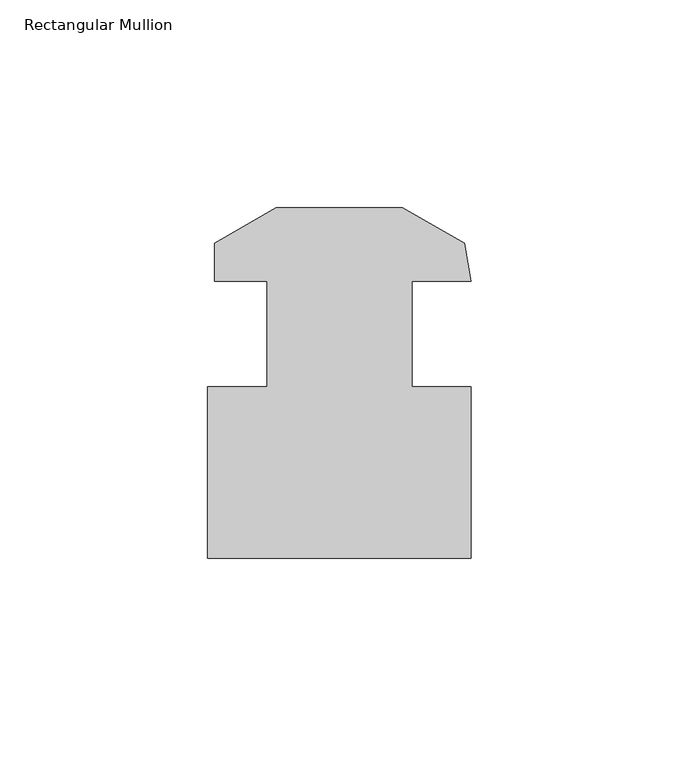
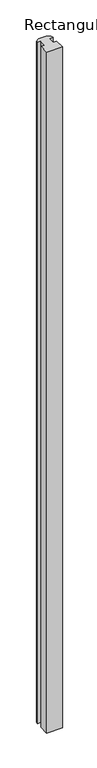
"""IFC4 building model written with IfcOpenShell, lengths in millimetres: member geometry, Rectangular Mullion."""

from ifc_helpers import new_model, si_unit, frame, origin, place, context, project, spatial, polyline, outline, extrude, source, transform, mapped, element, save


def rectangular_mullion_ae982b71(model_context):
    return source(origin(), model_context, "Body", "SweptSolid", [
        extrude(outline(polyline([(-4.096956, -53.9602111), (-67.596956, -53.9602111), (-67.596956, -12.6852111), (-53.309456, -12.6852111), (-53.309456, 12.7147889), (-65.9499667, 12.7147889), (-65.9499667, 21.8572066), (-51.099656, 30.4308317), (-20.594256, 30.4310857), (-5.7051014, 21.8350346), (-4.096956, 12.7147889), (-18.384456, 12.7147889), (-18.384456, -12.6852111), (-4.096956, -12.6852111), (-4.096956, -53.9602111)])), frame((0.0, 0.0, -2921.0459743), z_axis=(0.0, 0.0, 1.0), x_axis=(1.0, 0.0, 0.0)), (0.0, 0.0, 1.0), 2921.0459743),
    ])


if __name__ == "__main__":
    model = new_model("IFC4")
    model_context = context("Model", 3, world=origin())
    ifc_project = project(units=[si_unit("LENGTHUNIT", "METRE", prefix="MILLI")], contexts=[model_context])
    site = spatial("IfcSite", under=ifc_project)
    building = spatial("IfcBuilding", under=site)
    placement = place(None, origin())
    rectangular_mullion_shape = rectangular_mullion_ae982b71(model_context)
    element("IfcMember", 1, ObjectType="Rectangular Mullion", at=placement, inside=building, context=model_context, shape_type="MappedRepresentation", body=[
        mapped(rectangular_mullion_shape, transform((0.0, 0.0, 0.0), x_axis=(1.0, 0.0, 0.0), y_axis=(0.0, 1.0, 0.0), z_axis=(0.0, 0.0, 1.0))),
    ])
    save(model, "model.ifc")
